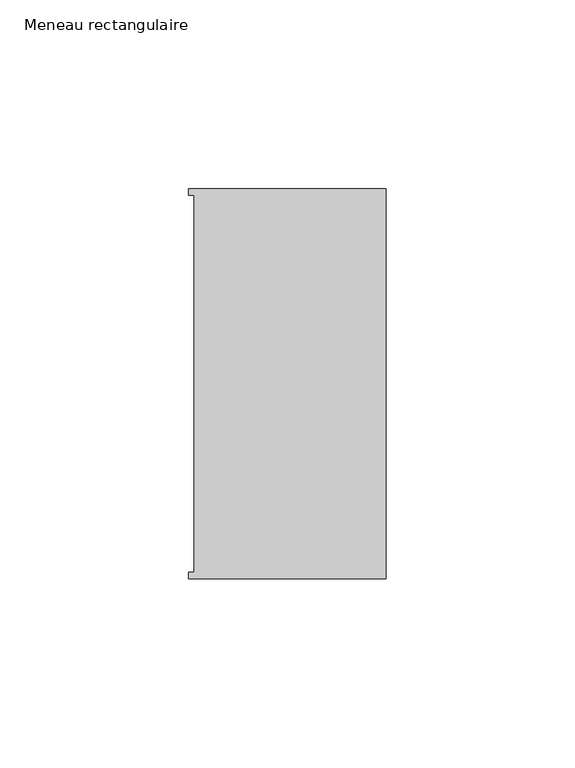
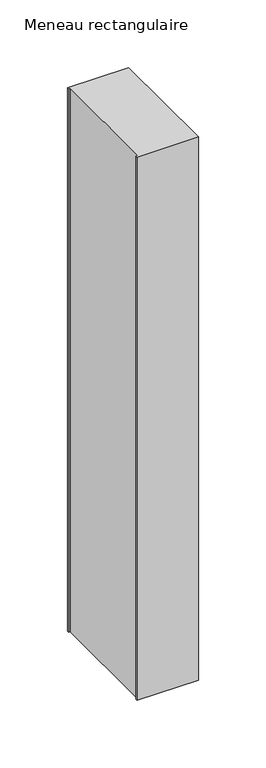
"""IFC4 building model written with IfcOpenShell, lengths in millimetres: member geometry, Meneau rectangulaire."""

from ifc_helpers import new_model, si_unit, frame, origin, place, context, project, spatial, polyline, outline, extrude, source, transform, mapped, element, save


def meneau_rectangulaire_b4ca4ea7(model_context):
    return source(origin(), model_context, "Body", "SweptSolid", [
        extrude(outline(polyline([(-52.3, 51.6531441), (0.0, 51.6531441), (0.0, -51.6130012), (-52.3, -51.6130012), (-52.3, -49.9174099), (-50.9, -49.9174099), (-50.9, 49.9174073), (-52.3, 49.9174073), (-52.3, 51.6531441)])), frame((0.0, 0.0, -490.7999997), z_axis=(0.0, 0.0, 1.0), x_axis=(1.0, 0.0, 0.0)), (0.0, 0.0, 1.0), 490.7999997),
    ])


if __name__ == "__main__":
    model = new_model("IFC4")
    model_context = context("Model", 3, world=origin())
    ifc_project = project(units=[si_unit("LENGTHUNIT", "METRE", prefix="MILLI")], contexts=[model_context])
    site = spatial("IfcSite", under=ifc_project)
    building = spatial("IfcBuilding", under=site)
    placement = place(None, origin())
    meneau_rectangulaire_shape = meneau_rectangulaire_b4ca4ea7(model_context)
    element("IfcMember", 1, ObjectType="Meneau rectangulaire", at=placement, inside=building, context=model_context, shape_type="MappedRepresentation", body=[
        mapped(meneau_rectangulaire_shape, transform((0.0, 0.0, 0.0), x_axis=(1.0, 0.0, 0.0), y_axis=(0.0, 1.0, 0.0), z_axis=(0.0, 0.0, 1.0))),
    ])
    save(model, "model.ifc")
